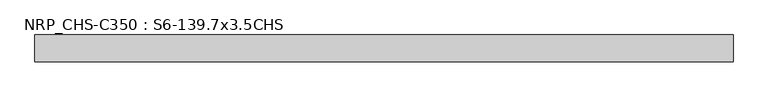
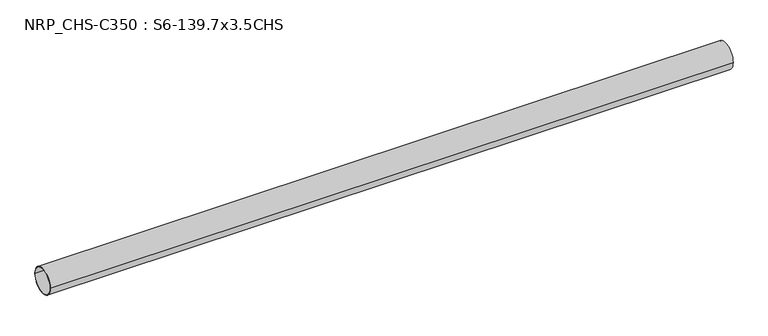
"""IFC4 building model written with IfcOpenShell, lengths in millimetres: beam geometry, NRP_CHS-C350 : S6-139.7x3.5CHS."""

from ifc_helpers import new_model, si_unit, point, frame, origin, origin_2d, place, context, project, spatial, circle_curve, trimmed, segment, composite_curve, outline, extrude, source, transform, mapped, element, save


def nrp_chs_c350_s6_139_7x3_5chs_3b672d0c(model_context):
    return source(origin(), model_context, "Body", "SweptSolid", [
        extrude(outline(composite_curve([segment(trimmed(circle_curve(origin_2d(), 69.85), [point((-69.85, 0.0))], [point((69.85, 0.0))], False, "CARTESIAN"), True, "CONTINUOUS"), segment(trimmed(circle_curve(origin_2d(), 69.85), [point((69.85, 0.0))], [point((-69.85, 0.0))], False, "CARTESIAN"), True, "CONTINUOUS")], self_intersect=False), holes=[composite_curve([segment(trimmed(circle_curve(origin_2d(), 66.35), [point((66.35, 0.0))], [point((-66.35, 0.0))], True, "CARTESIAN"), True, "CONTINUOUS"), segment(trimmed(circle_curve(origin_2d(), 66.35), [point((-66.35, 0.0))], [point((66.35, 0.0))], True, "CARTESIAN"), True, "CONTINUOUS")], self_intersect=False)]), frame((-1752.9, 0.0, 0.0), z_axis=(1.0, 0.0, 0.0), x_axis=(0.0, 1.0, 0.0)), (0.0, 0.0, 1.0), 3604.0),
    ])


if __name__ == "__main__":
    model = new_model("IFC4")
    model_context = context("Model", 3, world=origin())
    ifc_project = project(units=[si_unit("LENGTHUNIT", "METRE", prefix="MILLI")], contexts=[model_context])
    site = spatial("IfcSite", under=ifc_project)
    building = spatial("IfcBuilding", under=site)
    placement = place(None, origin())
    nrp_chs_c350_s6_139_7x3_5chs_shape = nrp_chs_c350_s6_139_7x3_5chs_3b672d0c(model_context)
    element("IfcBeam", 1, ObjectType="NRP_CHS-C350 : S6-139.7x3.5CHS", at=placement, inside=building, context=model_context, shape_type="MappedRepresentation", body=[
        mapped(nrp_chs_c350_s6_139_7x3_5chs_shape, transform((0.0, 0.0, 0.0), x_axis=(1.0, 0.0, 0.0), y_axis=(0.0, 1.0, 0.0), z_axis=(0.0, 0.0, 1.0))),
    ])
    save(model, "model.ifc")
